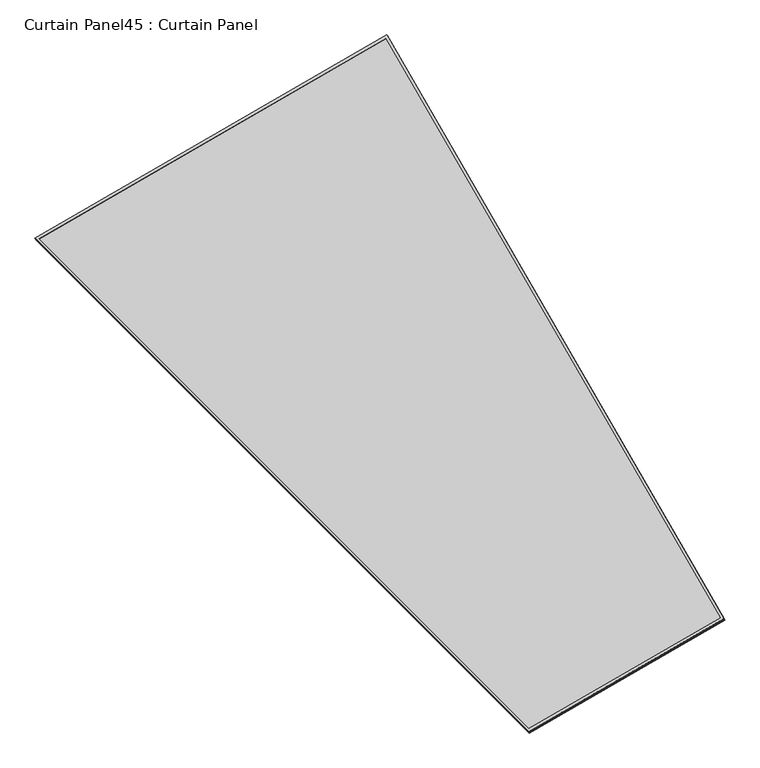
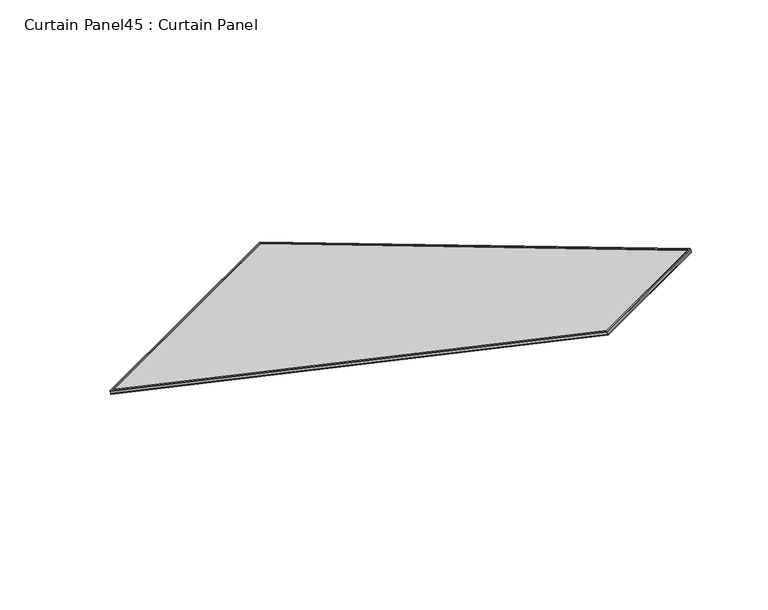
"""IFC4 building model written with IfcOpenShell, lengths in millimetres: plate geometry, Curtain Panel45 : Curtain Panel."""

from ifc_helpers import new_model, si_unit, frame, origin, place, context, project, spatial, polyline, outline, extrude, source, transform, mapped, element, save


def curtain_panel45_curtain_panel_ddc1c31b(model_context):
    return source(origin(), model_context, "Body", "SweptSolid", [
        extrude(outline(polyline([(1625.9060241, -2842.288964), (722.5275942, -2842.288964), (0.0, 0.0), (1625.9060241, 1e-07), (1625.9060241, -2842.288964)]), holes=[polyline([(1614.7935242, -11.1125), (14.2907959, -11.1125), (731.1686564, -2831.176464), (1614.7935241, -2831.176464), (1614.7935242, -11.1125)])]), frame((5435.6964168, 8205.1135129, -25.8793379), z_axis=(-0.15807291198690082, 0.27379031486168326, 0.9487106081329133), x_axis=(0.8660254037844446, 0.4999999999999898, 0.0)), (0.0, 0.0, 1.0), 4.613255),
        extrude(outline(polyline([(1625.9060241, -2842.288964), (722.5275942, -2842.288964), (0.0, 0.0), (1625.9060241, -1e-07), (1625.9060241, -2842.288964)]), holes=[polyline([(1614.7935241, -11.1125001), (14.2907959, -11.1125), (731.1686565, -2831.176464), (1614.7935241, -2831.176464), (1614.7935241, -11.1125001)])]), frame((5432.917386, 8209.9269354, -9.2003514), z_axis=(-0.15807291198690016, 0.27379031486168215, 0.9487106081329135), x_axis=(0.8660254037844446, 0.4999999999999896, 0.0)), (0.0, 0.0, 1.0), 4.8881242),
        extrude(outline(polyline([(25.6892883, 0.0), (1651.5953125, 0.0), (1651.5953124, -2842.288964), (748.2168826, -2842.288964), (25.6892883, 0.0)])), frame((5412.7196098, 8193.5319333, -21.5026939), z_axis=(-0.15807291198689918, 0.27379031486168054, 0.9487106081329143), x_axis=(0.8660254037844453, 0.49999999999998856, 0.0)), (0.0, 0.0, 1.0), 12.9674343),
    ])


if __name__ == "__main__":
    model = new_model("IFC4")
    model_context = context("Model", 3, world=origin())
    ifc_project = project(units=[si_unit("LENGTHUNIT", "METRE", prefix="MILLI")], contexts=[model_context])
    site = spatial("IfcSite", under=ifc_project)
    building = spatial("IfcBuilding", under=site)
    placement = place(None, origin())
    curtain_panel45_curtain_panel_shape = curtain_panel45_curtain_panel_ddc1c31b(model_context)
    element("IfcPlate", 1, ObjectType="Curtain Panel45 : Curtain Panel", at=placement, inside=building, context=model_context, shape_type="MappedRepresentation", body=[
        mapped(curtain_panel45_curtain_panel_shape, transform((0.0, 0.0, 0.0), x_axis=(1.0, 0.0, 0.0), y_axis=(0.0, 1.0, 0.0), z_axis=(0.0, 0.0, 1.0))),
    ])
    save(model, "model.ifc")
